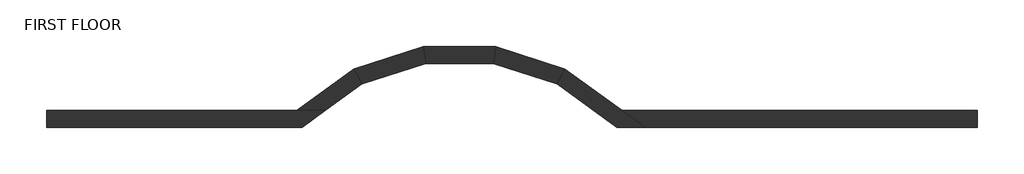
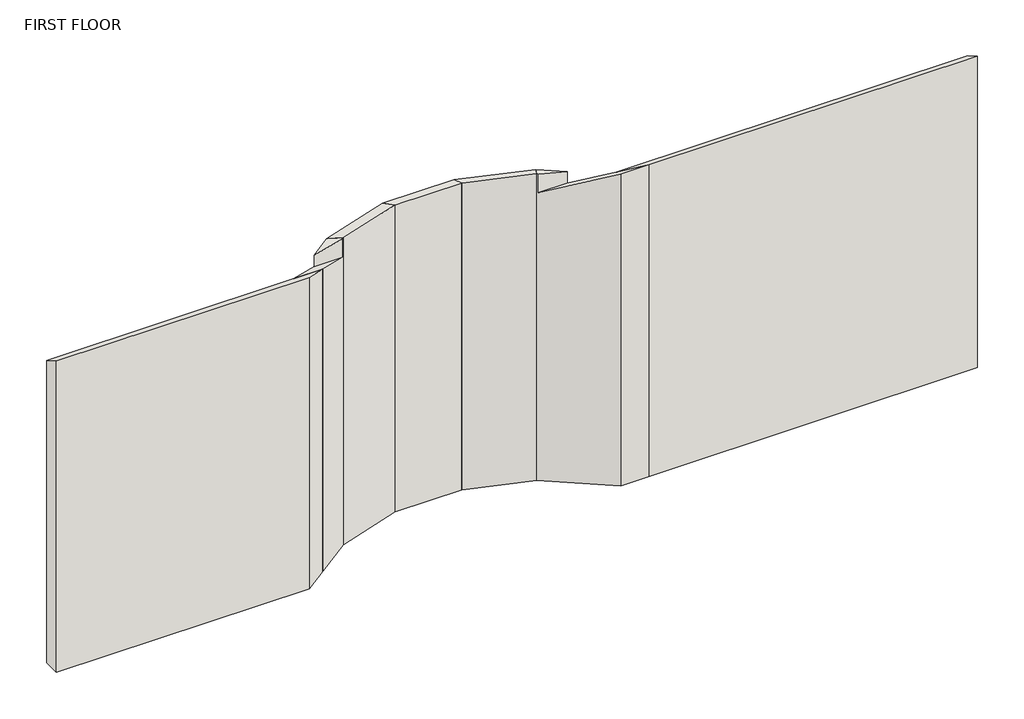
# One storey: 7 walls.
"""IFC4 building model written with IfcOpenShell, lengths in millimetres."""

from ifc_helpers import new_model, si_unit, origin, place, context, project, spatial, faceted_brep, element, save

model = new_model("IFC4")

# Units and contexts
model_context = context("Model", 3, world=origin())
ifc_project = project(units=[si_unit("LENGTHUNIT", "METRE", prefix="MILLI")], contexts=[model_context])

# Site, building, storey
site = spatial("IfcSite", under=ifc_project)
building = spatial("IfcBuilding", under=site)
storey = spatial("IfcBuildingStorey", under=building, Name="FIRST FLOOR", Elevation=0.0)

# Walls
placement = place(None, origin())
element("IfcWall", 1, ObjectType="Generic - 8\"", at=placement, inside=storey, context=model_context, shape_type="Brep", body=[
    faceted_brep([(-7747.0728195, -338.8709941, 0.0), (-4693.0193177, -338.8709941, 0.0), (-4693.0193177, -338.8709941, 3979.3333333), (-7747.0728195, -338.8709941, 3979.3333333), (-7747.0728195, -135.6709941, 0.0), (-7747.0728195, -135.6709941, 3860.8), (-4759.043, -135.6709941, 3860.8), (-4413.3385115, -135.6709941, 3860.8), (-4413.3385115, -135.6709941, 0.0), (-4759.043, -135.6709941, 0.0)], [[[0, 1, 2, 3]], [[4, 5, 6, 7, 8, 9]], [[1, 0, 4, 9, 8]], [[0, 3, 5, 4]], [[2, 1, 8, 7]], [[3, 2, 7, 6, 5]]]),
])
element("IfcWall", 2, ObjectType="Generic - 8\"", at=placement, inside=storey, context=model_context, shape_type="Brep", body=[
    faceted_brep([(-3246.9543445, 631.0123849, 0.0), (-4073.384789, 362.4888559, 0.0), (-4073.384789, 362.4888559, 3831.4805976), (-3246.9543445, 631.0123849, 3831.4805976), (-3214.7706262, 427.8123849, 0.0), (-3214.7706262, 427.8123849, 3920.3805976), (-3979.9840008, 179.1794877, 3920.3805976), (-3979.9840008, 179.1794877, 0.0)], [[[0, 1, 2, 3]], [[4, 5, 6, 7]], [[1, 0, 4, 7]], [[2, 1, 7, 6]], [[0, 3, 5, 4]], [[3, 2, 6, 5]]]),
])
element("IfcWall", 3, ObjectType="Generic - 8\"", at=placement, inside=storey, context=model_context, shape_type="Brep", body=[
    faceted_brep([(-4073.384789, 362.4888559, 0.0), (-4759.043, -135.6709941, 0.0), (-4759.043, -135.6709941, 3860.8), (-4339.5217907, 169.1290059, 3683.0), (-4339.5217907, 169.1290059, 3831.4805976), (-4073.384789, 362.4888559, 3831.4805976), (-3979.9840008, 179.1794877, 0.0), (-3979.9840008, 179.1794877, 3920.3805976), (-3993.8173021, 169.1290059, 3920.3805976), (-3993.8173021, 169.1290059, 3683.0), (-4413.3385115, -135.6709941, 3860.8), (-4413.3385115, -135.6709941, 0.0)], [[[0, 1, 2, 3, 4, 5]], [[6, 7, 8, 9, 10, 11]], [[1, 0, 6, 11]], [[0, 5, 7, 6]], [[2, 1, 11, 10]], [[8, 4, 3, 9]], [[3, 2, 10, 9]], [[5, 4, 8, 7]]]),
])
element("IfcWall", 4, ObjectType="Generic - 8\"", at=placement, inside=storey, context=model_context, shape_type="Brep", body=[
    faceted_brep([(-586.2244893, -338.8709941, 0.0), (-865.9052955, -135.6709941, 0.0), (-1551.5635065, 362.4888559, 0.0), (-1551.5635065, 362.4888559, 3831.4805976), (-1285.4265049, 169.1290059, 3831.4805976), (-1285.4265049, 169.1290059, 3683.0), (-865.9052955, -135.6709941, 3860.8), (-586.2244893, -338.8709941, 3979.3333333), (-931.9289778, -338.8709941, 0.0), (-931.9289778, -338.8709941, 3979.3333333), (-1631.1309934, 169.1290059, 3683.0), (-1631.1309934, 169.1290059, 3920.3805976), (-1644.9642948, 179.1794877, 3920.3805976), (-1644.9642948, 179.1794877, 0.0)], [[[0, 1, 2, 3, 4, 5, 6, 7]], [[8, 9, 10, 11, 12, 13]], [[2, 1, 0, 8, 13]], [[3, 2, 13, 12]], [[0, 7, 9, 8]], [[4, 11, 10, 5]], [[5, 10, 9, 7, 6]], [[4, 3, 12, 11]]]),
])
element("IfcWall", 5, ObjectType="Generic - 8\"", at=placement, inside=storey, context=model_context, shape_type="Brep", body=[
    faceted_brep([(-1551.5635065, 362.4888559, 0.0), (-2377.9939511, 631.0123849, 0.0), (-2377.9939511, 631.0123849, 3831.4805976), (-1551.5635065, 362.4888559, 3831.4805976), (-1644.9642948, 179.1794877, 0.0), (-1644.9642948, 179.1794877, 3920.3805976), (-2410.1776694, 427.8123849, 3920.3805976), (-2410.1776694, 427.8123849, 0.0)], [[[0, 1, 2, 3]], [[4, 5, 6, 7]], [[1, 0, 4, 7]], [[2, 1, 7, 6]], [[0, 3, 5, 4]], [[3, 2, 6, 5]]]),
])
element("IfcWall", 6, ObjectType="Generic - 8\"", at=placement, inside=storey, context=model_context, shape_type="Brep", body=[
    faceted_brep([(-2377.9939511, 631.0123849, 0.0), (-3246.9543445, 631.0123849, 0.0), (-3246.9543445, 631.0123849, 3831.4805976), (-2377.9939511, 631.0123849, 3831.4805976), (-2410.1776694, 427.8123849, 0.0), (-2410.1776694, 427.8123849, 3920.3805976), (-3214.7706262, 427.8123849, 3920.3805976), (-3214.7706262, 427.8123849, 0.0)], [[[0, 1, 2, 3]], [[4, 5, 6, 7]], [[1, 0, 4, 7]], [[2, 1, 7, 6]], [[0, 3, 5, 4]], [[3, 2, 6, 5]]]),
])
element("IfcWall", 7, ObjectType="Generic - 8\"", at=placement, inside=storey, context=model_context, shape_type="Brep", body=[
    faceted_brep([(-586.2244893, -338.8709941, 0.0), (3378.1271805, -338.8709941, 0.0), (3378.1271805, -338.8709941, 3979.3333333), (-586.2244893, -338.8709941, 3979.3333333), (-865.9052955, -135.6709941, 0.0), (-865.9052955, -135.6709941, 3860.8), (3378.1271805, -135.6709941, 3860.8), (3378.1271805, -135.6709941, 0.0)], [[[0, 1, 2, 3]], [[4, 5, 6, 7]], [[1, 0, 4, 7]], [[2, 1, 7, 6]], [[0, 3, 5, 4]], [[3, 2, 6, 5]]]),
])

save(model, "model.ifc")
